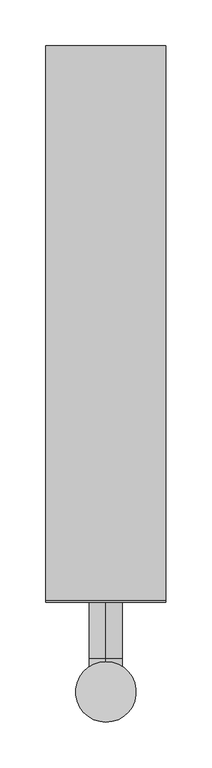
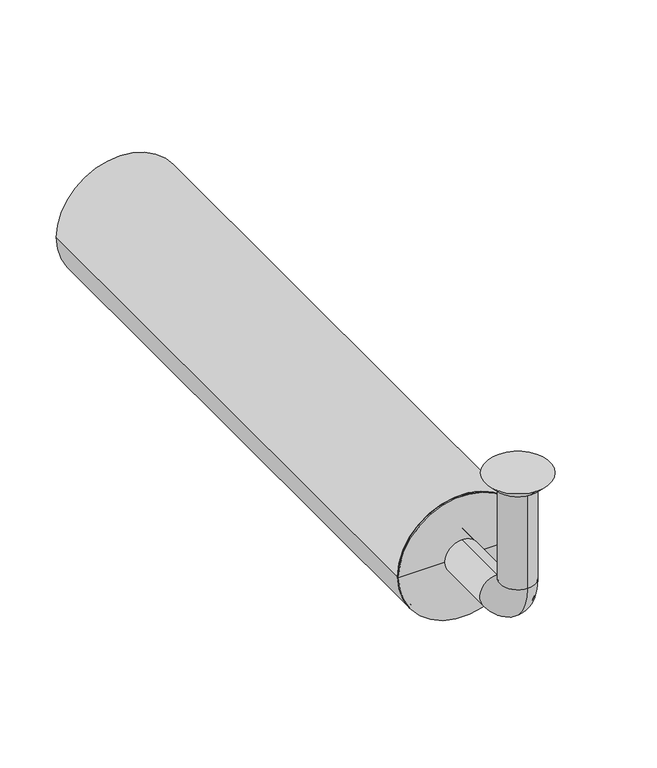
"""IFC4 building model written with IfcOpenShell, lengths in millimetres: beam geometry."""

from ifc_helpers import new_model, si_unit, point, frame, frame_2d, origin, place, context, project, spatial, polyline, circle_curve, ellipse_curve, trimmed, segment, composite_curve, outline, extrude, source, transform, mapped, element, save
from ifc_brep_helpers import plane_surface, cylinder_surface, revolved_surface, advanced_brep


def beam_80d44af2(model_context):
    return source(origin(), model_context, "Body", "SolidModel", [
        extrude(outline(composite_curve([segment(trimmed(circle_curve(frame_2d((-150.0, 0.0)), 65.5), [point((-150.0, 65.5))], [point((-150.0, -65.5))], False, "CARTESIAN"), True, "CONTINUOUS"), segment(trimmed(circle_curve(frame_2d((-150.0, 0.0)), 65.5), [point((-150.0, -65.5))], [point((-150.0, 65.5))], False, "CARTESIAN"), True, "CONTINUOUS")], self_intersect=False), holes=[composite_curve([segment(trimmed(circle_curve(frame_2d((-150.0, 0.0)), 62.5), [point((-150.0, 62.5))], [point((-150.0, -62.5))], True, "CARTESIAN"), True, "CONTINUOUS"), segment(trimmed(circle_curve(frame_2d((-150.0, 0.0)), 62.5), [point((-150.0, -62.5))], [point((-150.0, 62.5))], True, "CARTESIAN"), True, "CONTINUOUS")], self_intersect=False)]), frame((0.0, 100.0, 0.0), z_axis=(0.0, 1.0, 0.0), x_axis=(0.0, 0.0, 1.0)), (0.0, 0.0, 1.0), 605.0),
        advanced_brep(
        [(0.0, -18.0, -10.0), (0.0, 18.0, -10.0), (0.0, -17.0, -10.0), (0.0, 17.0, -10.0), (0.0, -18.0, -114.0), (0.0, 18.0, -114.0), (0.0, -17.0, -114.0), (0.0, 17.0, -114.0), (0.0, 36.0, -132.0), (0.0, 36.0, -168.0), (0.0, 36.0, -133.0), (0.0, 36.0, -167.0), (0.0, 123.0, -168.0), (0.0, 123.0, -132.0), (0.0, 123.0, -167.0), (0.0, 123.0, -133.0)],
        [
            (0, 1, circle_curve(frame((0.0, 0.0, -10.0), z_axis=(0.0, 0.0, 1.0), x_axis=(0.0, 1.0, 0.0)), 18.0)),
            (1, 0, circle_curve(frame((0.0, 0.0, -10.0), z_axis=(0.0, 0.0, 1.0), x_axis=(0.0, 1.0, 0.0)), 18.0)),
            (2, 3, circle_curve(frame((0.0, 0.0, -10.0), z_axis=(0.0, 0.0, -1.0), x_axis=(0.0, 1.0, 0.0)), 17.0)),
            (3, 2, circle_curve(frame((0.0, 0.0, -10.0), z_axis=(0.0, 0.0, -1.0), x_axis=(0.0, 1.0, 0.0)), 17.0)),
            (0, 4),
            (4, 5, circle_curve(frame((0.0, 0.0, -114.0), z_axis=(0.0, 0.0, 1.0), x_axis=(0.0, 1.0, 0.0)), 18.0)),
            (5, 1),
            (5, 4, circle_curve(frame((0.0, 0.0, -114.0), z_axis=(0.0, 0.0, 1.0), x_axis=(0.0, 1.0, 0.0)), 18.0)),
            (2, 6),
            (6, 7, circle_curve(frame((0.0, 0.0, -114.0), z_axis=(0.0, 0.0, -1.0), x_axis=(0.0, 1.0, 0.0)), 17.0)),
            (7, 3),
            (7, 6, circle_curve(frame((0.0, 0.0, -114.0), z_axis=(0.0, 0.0, -1.0), x_axis=(0.0, 1.0, 0.0)), 17.0)),
            (8, 5, circle_curve(frame((0.0, 36.0, -114.0), z_axis=(-1.0, 0.0, 0.0), x_axis=(0.0, -1.0, 0.0)), 18.0)),
            (4, 9, circle_curve(frame((0.0, 36.0, -114.0), z_axis=(1.0, 0.0, 0.0), x_axis=(0.0, -1.0, 0.0)), 54.0)),
            (9, 8, circle_curve(frame((0.0, 36.0, -150.0), z_axis=(0.0, -1.0, 0.0), x_axis=(0.0, 0.0, 1.0)), 18.0)),
            (8, 9, circle_curve(frame((0.0, 36.0, -150.0), z_axis=(0.0, -1.0, 0.0), x_axis=(0.0, 0.0, 1.0)), 18.0)),
            (10, 7, circle_curve(frame((0.0, 36.0, -114.0), z_axis=(-1.0, 0.0, 0.0), x_axis=(0.0, -1.0, 0.0)), 19.0)),
            (6, 11, circle_curve(frame((0.0, 36.0, -114.0), z_axis=(1.0, 0.0, 0.0), x_axis=(0.0, -1.0, 0.0)), 53.0)),
            (11, 10, circle_curve(frame((0.0, 36.0, -150.0), z_axis=(0.0, 1.0, 0.0), x_axis=(0.0, 0.0, 1.0)), 17.0)),
            (10, 11, circle_curve(frame((0.0, 36.0, -150.0), z_axis=(0.0, 1.0, 0.0), x_axis=(0.0, 0.0, 1.0)), 17.0)),
            (12, 13, circle_curve(frame((0.0, 123.0, -150.0), z_axis=(0.0, 1.0, 0.0), x_axis=(0.0, 0.0, 1.0)), 18.0)),
            (13, 12, circle_curve(frame((0.0, 123.0, -150.0), z_axis=(0.0, 1.0, 0.0), x_axis=(0.0, 0.0, 1.0)), 18.0)),
            (14, 15, circle_curve(frame((0.0, 123.0, -150.0), z_axis=(0.0, -1.0, 0.0), x_axis=(0.0, 0.0, 1.0)), 17.0)),
            (15, 14, circle_curve(frame((0.0, 123.0, -150.0), z_axis=(0.0, -1.0, 0.0), x_axis=(0.0, 0.0, 1.0)), 17.0)),
            (9, 12),
            (13, 8),
            (11, 14),
            (15, 10),
        ],
        [
            plane_surface(frame((0.0, 0.0, -10.0), z_axis=(0.0, 0.0, 1.0), x_axis=(1.0, 0.0, 0.0))),
            cylinder_surface(frame((0.0, 0.0, -10.0), z_axis=(0.0, 0.0, 1.0), x_axis=(0.0, 1.0, 0.0)), 18.0),
            revolved_surface(polyline([(0.0, 17.0, -114.0), (0.0, 17.0, -10.0)]), (0.0, 0.0, -10.0), (0.0, 0.0, -1.0)),
            revolved_surface(trimmed(ellipse_curve(frame((0.0, 0.0, -114.0), z_axis=(0.0, 0.0, 1.0), x_axis=(0.0, 1.0, 0.0)), 18.0, 18.0), [point((0.0, -18.0, -114.0))], [point((0.0, 18.0, -114.0))], True, "CARTESIAN"), (0.0, 36.0, -114.0), (1.0, 0.0, 0.0)),
            revolved_surface(trimmed(ellipse_curve(frame((0.0, 0.0, -114.0), z_axis=(0.0, 0.0, 1.0), x_axis=(0.0, 1.0, 0.0)), 18.0, 18.0), [point((0.0, 18.0, -114.0))], [point((0.0, -18.0, -114.0))], True, "CARTESIAN"), (0.0, 36.0, -114.0), (1.0, 0.0, 0.0)),
            revolved_surface(trimmed(ellipse_curve(frame((0.0, 0.0, -114.0), z_axis=(0.0, 0.0, -1.0), x_axis=(0.0, 1.0, 0.0)), 17.0, 17.0), [point((0.0, -17.0, -114.0))], [point((0.0, 17.0, -114.0))], True, "CARTESIAN"), (0.0, 36.0, -114.0), (1.0, 0.0, 0.0)),
            revolved_surface(trimmed(ellipse_curve(frame((0.0, 0.0, -114.0), z_axis=(0.0, 0.0, -1.0), x_axis=(0.0, 1.0, 0.0)), 17.0, 17.0), [point((0.0, 17.0, -114.0))], [point((0.0, -17.0, -114.0))], True, "CARTESIAN"), (0.0, 36.0, -114.0), (1.0, 0.0, 0.0)),
            plane_surface(frame((0.0, 123.0, -150.0), z_axis=(0.0, 1.0, 0.0), x_axis=(1.0, 0.0, 0.0))),
            cylinder_surface(frame((0.0, 36.0, -150.0), z_axis=(0.0, -1.0, 0.0), x_axis=(0.0, 0.0, 1.0)), 18.0),
            revolved_surface(polyline([(0.0, 123.0, -133.0), (0.0, 36.0, -133.0)]), (0.0, 36.0, -150.0), (0.0, 1.0, 0.0)),
        ],
        [
            (0, [[1, 2], [3, 4]]),
            (1, [[-1, 5, 6, 7]]),
            (1, [[-2, -7, 8, -5]]),
            (2, [[-3, 9, 10, 11]]),
            (2, [[-4, -11, 12, -9]]),
            (3, [[13, -6, 14, 15]]),
            (4, [[-14, -8, -13, 16]]),
            (5, [[17, -10, 18, 19]]),
            (6, [[-18, -12, -17, 20]]),
            (7, [[21, 22], [23, 24]]),
            (8, [[-15, 25, -22, 26]]),
            (8, [[-16, -26, -21, -25]]),
            (9, [[-19, 27, -24, 28]]),
            (9, [[-20, -28, -23, -27]]),
        ],
    ),
        advanced_brep(
        [(0.0, 23.0, -10.0), (0.0, -23.0, -10.0), (0.0, 33.0, 0.0), (0.0, -33.0, 0.0)],
        [
            (0, 1, circle_curve(frame((0.0, 0.0, -10.0), z_axis=(0.0, 0.0, -1.0), x_axis=(0.0, 1.0, 0.0)), 23.0)),
            (1, 0, circle_curve(frame((0.0, 0.0, -10.0), z_axis=(0.0, 0.0, -1.0), x_axis=(0.0, -1.0, 0.0)), 23.0)),
            (2, 3, circle_curve(frame((0.0, 0.0, 0.0), z_axis=(0.0, 0.0, 1.0), x_axis=(0.0, -1.0, 0.0)), 33.0)),
            (3, 2, circle_curve(frame((0.0, 0.0, 0.0), z_axis=(0.0, 0.0, 1.0), x_axis=(0.0, 1.0, 0.0)), 33.0)),
            (3, 1),
            (0, 2),
        ],
        [
            plane_surface(frame((0.0, 0.0, -10.0), z_axis=(0.0, 0.0, -1.0), x_axis=(-1.0, 0.0, 0.0))),
            plane_surface(frame((0.0, 0.0, 0.0), z_axis=(0.0, 0.0, 1.0), x_axis=(-1.0, 0.0, 0.0))),
            revolved_surface(polyline([(0.0, 23.0, -10.0), (0.0, 33.0, 0.0)]), (0.0, 0.0, -33.0), (0.0, 0.0, 1.0)),
            revolved_surface(polyline([(0.0, -23.0, -10.0), (0.0, -33.0, 0.0)]), (0.0, 0.0, -33.0), (0.0, 0.0, 1.0)),
        ],
        [
            (0, [[1, 2]]),
            (1, [[3, 4]]),
            (2, [[-4, 5, -1, 6]]),
            (3, [[-3, -6, -2, -5]]),
        ],
    ),
        advanced_brep(
        [(62.5, 100.0, -150.0), (-62.5, 100.0, -150.0), (-62.5, 123.0, -150.0), (62.5, 123.0, -150.0), (-18.0, 123.0, -150.0), (18.0, 123.0, -150.0), (-18.0, 98.0, -150.0), (18.0, 98.0, -150.0), (-65.5, 98.0, -150.0), (65.5, 98.0, -150.0), (-65.5, 100.0, -150.0), (65.5, 100.0, -150.0)],
        [
            (0, 1, circle_curve(frame((0.0, 100.0, -150.0), z_axis=(0.0, 1.0, 0.0), x_axis=(-1.0, 0.0, 0.0)), 62.5)),
            (1, 2),
            (2, 3, circle_curve(frame((0.0, 123.0, -150.0), z_axis=(0.0, -1.0, 0.0), x_axis=(-1.0, 0.0, 0.0)), 62.5)),
            (3, 0),
            (1, 0, circle_curve(frame((0.0, 100.0, -150.0), z_axis=(0.0, 1.0, 0.0), x_axis=(-1.0, 0.0, 0.0)), 62.5)),
            (3, 2, circle_curve(frame((0.0, 123.0, -150.0), z_axis=(0.0, -1.0, 0.0), x_axis=(-1.0, 0.0, 0.0)), 62.5)),
            (2, 4),
            (4, 5, circle_curve(frame((0.0, 123.0, -150.0), z_axis=(0.0, -1.0, 0.0), x_axis=(-1.0, 0.0, 0.0)), 18.0)),
            (5, 3),
            (5, 4, circle_curve(frame((0.0, 123.0, -150.0), z_axis=(0.0, -1.0, 0.0), x_axis=(-1.0, 0.0, 0.0)), 18.0)),
            (4, 6),
            (6, 7, circle_curve(frame((0.0, 98.0, -150.0), z_axis=(0.0, -1.0, 0.0), x_axis=(-1.0, 0.0, 0.0)), 18.0)),
            (7, 5),
            (7, 6, circle_curve(frame((0.0, 98.0, -150.0), z_axis=(0.0, -1.0, 0.0), x_axis=(-1.0, 0.0, 0.0)), 18.0)),
            (6, 8),
            (8, 9, circle_curve(frame((0.0, 98.0, -150.0), z_axis=(0.0, -1.0, 0.0), x_axis=(-1.0, 0.0, 0.0)), 65.5)),
            (9, 7),
            (9, 8, circle_curve(frame((0.0, 98.0, -150.0), z_axis=(0.0, -1.0, 0.0), x_axis=(-1.0, 0.0, 0.0)), 65.5)),
            (8, 10),
            (10, 11, circle_curve(frame((0.0, 100.0, -150.0), z_axis=(0.0, -1.0, 0.0), x_axis=(-1.0, 0.0, 0.0)), 65.5)),
            (11, 9),
            (11, 10, circle_curve(frame((0.0, 100.0, -150.0), z_axis=(0.0, -1.0, 0.0), x_axis=(-1.0, 0.0, 0.0)), 65.5)),
            (10, 1),
            (0, 11),
        ],
        [
            cylinder_surface(frame((0.0, 98.0, -150.0), z_axis=(0.0, -1.0, 0.0), x_axis=(-1.0, 0.0, 0.0)), 62.5),
            plane_surface(frame((0.0, 123.0, -150.0), z_axis=(0.0, 1.0, 0.0), x_axis=(-1.0, 0.0, 0.0))),
            revolved_surface(polyline([(-18.0, 98.0, -150.0), (-18.0, 123.0, -150.0)]), (0.0, 98.0, -150.0), (0.0, -1.0, 0.0)),
            plane_surface(frame((0.0, 98.0, -150.0), z_axis=(0.0, -1.0, 0.0), x_axis=(-1.0, 0.0, 0.0))),
            cylinder_surface(frame((0.0, 98.0, -150.0), z_axis=(0.0, -1.0, 0.0), x_axis=(-1.0, 0.0, 0.0)), 65.5),
            plane_surface(frame((0.0, 100.0, -150.0), z_axis=(0.0, 1.0, 0.0), x_axis=(-1.0, 0.0, 0.0))),
        ],
        [
            (0, [[1, 2, 3, 4]]),
            (0, [[5, -4, 6, -2]]),
            (1, [[-3, 7, 8, 9]]),
            (1, [[-6, -9, 10, -7]]),
            (2, [[-8, 11, 12, 13]]),
            (2, [[-10, -13, 14, -11]]),
            (3, [[-12, 15, 16, 17]]),
            (3, [[-14, -17, 18, -15]]),
            (4, [[-16, 19, 20, 21]]),
            (4, [[-18, -21, 22, -19]]),
            (5, [[-20, 23, -1, 24]]),
            (5, [[-22, -24, -5, -23]]),
        ],
    ),
    ])


if __name__ == "__main__":
    model = new_model("IFC4")
    model_context = context("Model", 3, world=origin())
    ifc_project = project(units=[si_unit("LENGTHUNIT", "METRE", prefix="MILLI")], contexts=[model_context])
    site = spatial("IfcSite", under=ifc_project)
    building = spatial("IfcBuilding", under=site)
    placement = place(None, origin())
    beam_shape = beam_80d44af2(model_context)
    element("IfcBeam", 1, at=placement, inside=building, context=model_context, shape_type="MappedRepresentation", body=[
        mapped(beam_shape, transform((0.0, 0.0, 0.0), x_axis=(1.0, 0.0, 0.0), y_axis=(0.0, 1.0, 0.0), z_axis=(0.0, 0.0, 1.0))),
    ])
    save(model, "model.ifc")
